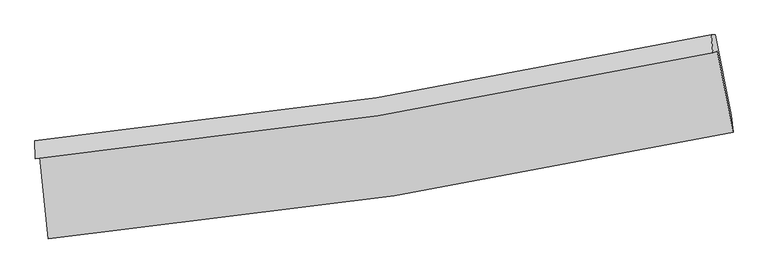
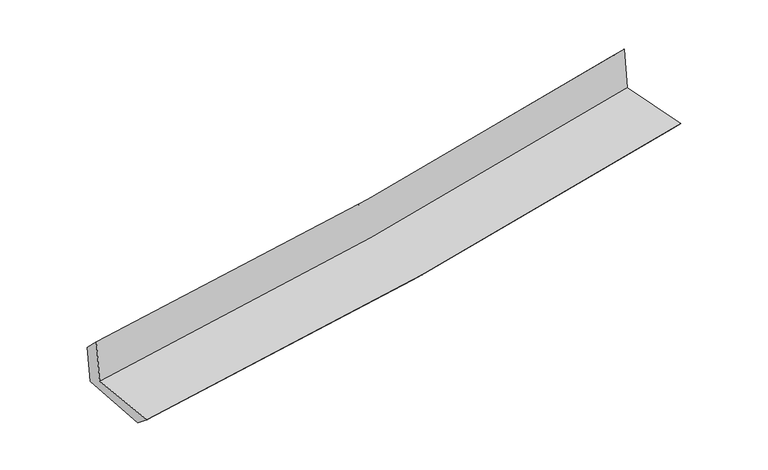
"""IFC4 building model written with IfcOpenShell, lengths in millimetres: proxy geometry."""

from ifc_helpers import new_model, si_unit, frame, origin, place, context, project, spatial, source, transform, mapped, element, save
from ifc_brep_helpers import plane_surface, spline_curve, spline_surface, advanced_brep


def generic_models_df9e47b6(model_context):
    return source(origin(), model_context, "Body", "AdvancedBrep", [
        advanced_brep(
        [(-2781.8665897, -1900.9282966, 1642.504513), (-2712.6722476, -2560.7251571, 1628.3993592), (2843.3871359, -1698.003217, 2131.3662872), (2715.2293573, -1041.3511721, 2140.2206747), (-2817.8362417, -1913.4964649, 2053.9528129), (2679.9057045, -1053.6936215, 2544.2795436), (-2820.4121696, -1763.6108301, 1912.0379703), (2664.7626505, -907.136962, 2402.0578629), (-2788.4399444, -1763.720716, 1559.1374187), (2699.1448255, -907.1039918, 2033.6559391), (-2717.1549356, -2417.1343199, 1514.6928063), (2829.5975648, -1560.7450471, 1993.9609771)],
        [
            (0, 1),
            (1, 2, spline_curve(3, [(-2712.6722476, -2560.7251571, 1628.3993592), (-1772.554148229, -2473.937580772, 1718.2306397), (-836.702916236, -2358.037701807, 1805.298149875), (1015.214432838, -2069.764749989, 1972.887435973), (1931.38299542, -1898.090648888, 2053.475568401), (2843.3871359, -1698.003217, 2131.3662872)], [4, 2, 4], [0.0, 9.273028802062678, 18.434060912186972])),
            (2, 3),
            (3, 0, spline_curve(3, [(2715.2293573, -1041.3511721, 2140.2206747), (1812.786088589, -1238.981515627, 2063.240841599), (906.28110105, -1409.160715317, 1983.543181999), (-925.984296021, -1696.361725264, 1817.70465363), (-1851.844623769, -1812.708233601, 1731.49692595), (-2781.8665897, -1900.9282966, 1642.504513)], [4, 2, 4], [0.0, 9.161032110124294, 18.434060912186972])),
            (4, 0),
            (3, 5),
            (5, 4, spline_curve(3, [(2679.9057045, -1053.6936215, 2544.2795436), (1777.606322827, -1251.273689343, 2465.653821349), (871.120534543, -1421.446180615, 2385.736543604), (-961.357127939, -1708.721358374, 2222.32607256), (-1887.451988676, -1825.149815204, 2138.801106636), (-2817.8362417, -1913.4964649, 2053.9528129)], [4, 2, 4], [0.0, 9.112794679385958, 18.336996331931307])),
            (6, 4),
            (5, 7),
            (7, 6, spline_curve(3, [(2664.7626505, -907.136962, 2402.0578629), (1764.712665611, -1103.857264562, 2320.934585992), (860.392982781, -1273.323207262, 2239.78620402), (-967.89358908, -1559.484957464, 2076.446857665), (-1891.965512849, -1675.510303922, 1994.255275186), (-2820.4121696, -1763.6108301, 1912.0379703)], [4, 2, 4], [0.0, 9.10228331643422, 18.315845101088186])),
            (8, 6),
            (7, 9),
            (9, 8, spline_curve(3, [(2699.1448255, -907.1039918, 2033.6559391), (1798.553075187, -1103.855983982, 1956.584968943), (893.762467947, -1273.349628279, 1878.751182681), (-935.329163208, -1559.559095554, 1720.597107877), (-1859.733478853, -1675.604359005, 1640.258054056), (-2788.4399444, -1763.720716, 1559.1374187)], [4, 2, 4], [0.0, 9.09258809835127, 18.296336137627563])),
            (10, 8),
            (9, 11),
            (11, 10, spline_curve(3, [(2829.5975648, -1560.7450471, 1993.9609771), (1919.655913221, -1761.263648217, 1915.867679349), (1005.291038527, -1932.633314524, 1837.128614459), (-843.517649561, -2218.813473043, 1677.388443525), (-1778.070275001, -2332.906897885, 1596.371451489), (-2717.1549356, -2417.1343199, 1514.6928063)], [4, 2, 4], [0.0, 9.14151526872238, 18.39478862944726])),
            (1, 10),
            (11, 2),
        ],
        [
            spline_surface(3, 3, [[(-2781.8665897, -1900.9282966, 1642.504513), (-1851.844623918, -1812.708233708, 1731.496925857), (-925.984295914, -1696.361725235, 1817.704653638), (906.281100944, -1409.160715345, 1983.543181991), (1812.786088594, -1238.98151568, 2063.240841447), (2715.2293573, -1041.3511721, 2140.2206747)], [(-2758.801808998, -2120.860583427, 1637.802795063), (-1825.414465336, -2033.118016012, 1727.074830481), (-896.223836029, -1916.92038408, 1813.569152406), (942.592211602, -1629.362060273, 1979.991266619), (1852.318390894, -1458.684560123, 2059.985750406), (2757.948616834, -1260.235187098, 2137.269212189)], [(-2735.737028302, -2340.792870273, 1633.101077137), (-1798.984306759, -2253.527798336, 1722.652735117), (-866.463376173, -2137.479042873, 1809.43365119), (978.903322232, -1849.563405149, 1976.439351262), (1891.850693192, -1678.387604474, 2056.730659398), (2800.667876366, -1479.119202002, 2134.317749711)], [(-2712.6722476, -2560.7251571, 1628.3993592), (-1772.554148176, -2473.93758064, 1718.230639741), (-836.702916288, -2358.037701718, 1805.298149959), (1015.21443289, -2069.764750077, 1972.88743589), (1931.382995491, -1898.090648917, 2053.475568358), (2843.3871359, -1698.003217, 2131.3662872)]], [4, 4], [4, 2, 4], [0.0, 2.193619708281384], [0.0, 9.273028802062678, 18.434060912186972]),
            spline_surface(3, 3, [[(-2817.8362417, -1913.4964649, 2053.9528129), (-1887.451988542, -1825.149815054, 2138.801106558), (-961.357127991, -1708.72135836, 2222.326072513), (871.120534595, -1421.44618063, 2385.736543651), (1777.606322785, -1251.273689478, 2465.653821262), (2679.9057045, -1053.6936215, 2544.2795436)], [(-2805.846357717, -1909.307075481, 1916.803379607), (-1875.582867018, -1821.002621286, 2003.033046331), (-949.566183976, -1704.601480622, 2087.452266231), (882.840723367, -1417.351025505, 2251.672089775), (1789.33291138, -1247.176298189, 2331.516161328), (2691.680255426, -1049.579471677, 2409.593253971)], [(-2793.856473683, -1905.117686019, 1779.653946293), (-1863.713745442, -1816.855427476, 1867.264986083), (-937.775239929, -1700.481602973, 1952.57845992), (894.560912172, -1413.255870469, 2117.607635868), (1801.059499999, -1243.078906968, 2197.378501381), (2703.454806374, -1045.465321923, 2274.906964329)], [(-2781.8665897, -1900.9282966, 1642.504513), (-1851.844623918, -1812.708233708, 1731.496925857), (-925.984295914, -1696.361725235, 1817.704653638), (906.281100944, -1409.160715345, 1983.543181991), (1812.786088594, -1238.98151568, 2063.240841447), (2715.2293573, -1041.3511721, 2140.2206747)]], [4, 4], [4, 2, 4], [0.0, 1.3292270992003723], [0.0, 9.224201652545348, 18.336996331931307]),
            spline_surface(3, 3, [[(-2820.4121696, -1763.6108301, 1912.0379703), (-1891.965512792, -1675.510304075, 1994.255275166), (-967.89358893, -1559.48495744, 2076.446857539), (860.392982632, -1273.323207286, 2239.786204144), (1764.712665501, -1103.857264539, 2320.934585992), (2664.7626505, -907.136962, 2402.0578629)], [(-2819.553526968, -1813.572708352, 1959.342917821), (-1890.46100471, -1725.390141053, 2042.437218951), (-965.714768612, -1609.230424428, 2125.07326251), (863.968833291, -1322.697531749, 2288.436317293), (1769.010551272, -1152.996072853, 2369.17433108), (2669.810335177, -955.989181834, 2449.465089798)], [(-2818.694884332, -1863.534586648, 2006.647865379), (-1888.956496624, -1775.269978075, 2090.619162773), (-963.535948309, -1658.975891372, 2173.699667541), (867.544683936, -1372.071856167, 2337.086430502), (1773.308437013, -1202.134881164, 2417.414076174), (2674.858019823, -1004.841401666, 2496.872316702)], [(-2817.8362417, -1913.4964649, 2053.9528129), (-1887.451988542, -1825.149815054, 2138.801106558), (-961.357127991, -1708.72135836, 2222.326072513), (871.120534595, -1421.44618063, 2385.736543651), (1777.606322785, -1251.273689478, 2465.653821262), (2679.9057045, -1053.6936215, 2544.2795436)]], [4, 4], [4, 2, 4], [0.0, 0.6840585269397863], [0.0, 9.213561784653967, 18.315845101088186]),
            spline_surface(3, 3, [[(-2788.4399444, -1763.720716, 1559.1374187), (-1859.733478846, -1675.604359111, 1640.258054097), (-935.329163064, -1559.559095408, 1720.5971079), (893.762467804, -1273.349628423, 1878.751182658), (1798.553075315, -1103.855984088, 1956.584968986), (2699.1448255, -907.1039918, 2033.6559391)], [(-2799.097352799, -1763.684087355, 1676.770935907), (-1870.47749016, -1675.573007421, 1758.257127794), (-946.183971708, -1559.534382757, 1839.213691102), (882.639306058, -1273.340821382, 1999.096189809), (1787.272938692, -1103.856410915, 2078.034841317), (2687.684100482, -907.114981877, 2156.456580362)], [(-2809.754761201, -1763.647458745, 1794.404453093), (-1881.221501477, -1675.541655765, 1876.256201469), (-957.038780285, -1559.509670092, 1957.830274337), (871.516144379, -1273.332014328, 2119.441196993), (1775.992802124, -1103.856837712, 2199.484713661), (2676.223375518, -907.125971923, 2279.257221638)], [(-2820.4121696, -1763.6108301, 1912.0379703), (-1891.965512792, -1675.510304075, 1994.255275166), (-967.89358893, -1559.48495744, 2076.446857539), (860.392982632, -1273.323207286, 2239.786204144), (1764.712665501, -1103.857264539, 2320.934585992), (2664.7626505, -907.136962, 2402.0578629)]], [4, 4], [4, 2, 4], [0.0, 1.1808513538584817], [0.0, 9.203748039276293, 18.296336137627563]),
            spline_surface(3, 3, [[(-2717.1549356, -2417.1343199, 1514.6928063), (-1778.070275149, -2332.906897769, 1596.37145154), (-843.517649649, -2218.813473041, 1677.388443494), (1005.291038614, -1932.633314526, 1837.128614488), (1919.655913263, -1761.263648302, 1915.867679424), (2829.5975648, -1560.7450471, 1993.9609771)], [(-2740.916605187, -2199.32978528, 1529.507677107), (-1805.291343035, -2113.806051564, 1611.000319066), (-874.121487432, -1999.062013831, 1691.791331662), (968.114848365, -1712.872085826, 1851.002803911), (1879.288300637, -1542.12776022, 1929.440109264), (2786.113318391, -1342.864695323, 2007.192631086)], [(-2764.678274813, -1981.52525062, 1544.322547893), (-1832.512410959, -1894.705205317, 1625.629186571), (-904.72532528, -1779.310554618, 1706.194219733), (930.938658053, -1493.110857124, 1864.876993236), (1838.92068794, -1322.99187217, 1943.012539146), (2742.629071909, -1124.984343577, 2020.424285114)], [(-2788.4399444, -1763.720716, 1559.1374187), (-1859.733478846, -1675.604359111, 1640.258054097), (-935.329163064, -1559.559095408, 1720.5971079), (893.762467804, -1273.349628423, 1878.751182658), (1798.553075315, -1103.855984088, 1956.584968986), (2699.1448255, -907.1039918, 2033.6559391)]], [4, 4], [4, 2, 4], [0.0, 2.1928862205213115], [0.0, 9.25327336072488, 18.39478862944726]),
            spline_surface(3, 3, [[(-2712.6722476, -2560.7251571, 1628.3993592), (-1772.554148176, -2473.93758064, 1718.230639741), (-836.702916288, -2358.037701718, 1805.298149959), (1015.21443289, -2069.764750077, 1972.88743589), (1931.382995491, -1898.090648917, 2053.475568358), (2843.3871359, -1698.003217, 2131.3662872)], [(-2714.16647693, -2512.861544705, 1590.497174896), (-1774.392857164, -2426.927353021, 1677.610910336), (-838.974494077, -2311.629625484, 1762.661581131), (1011.906634796, -2024.054271552, 1927.634495417), (1927.473968073, -1852.481648703, 2007.606272073), (2838.790612191, -1652.250493691, 2085.564517193)], [(-2715.66070627, -2464.997932295, 1552.594990604), (-1776.231566161, -2379.917125388, 1636.991180945), (-841.246071859, -2265.221549275, 1720.025012322), (1008.598836708, -1978.343793051, 1882.381554962), (1923.564940682, -1806.872648516, 1961.736975709), (2834.194088509, -1606.497770409, 2039.762747107)], [(-2717.1549356, -2417.1343199, 1514.6928063), (-1778.070275148, -2332.906897769, 1596.37145154), (-843.517649649, -2218.813473041, 1677.388443494), (1005.291038614, -1932.633314526, 1837.128614488), (1919.655913263, -1761.263648302, 1915.867679424), (2829.5975648, -1560.7450471, 1993.9609771)]], [4, 4], [4, 2, 4], [0.0, 0.6270955966449681], [0.0, 9.311883336411457, 18.511300708179057]),
            plane_surface(frame((2738.6712064, -1194.6723353, 2207.5902141), z_axis=(0.977617372514504, 0.18956958456998496, 0.09125593440320019), x_axis=(-0.09292408049386318, -8.910804297738947e-05, 0.9956731930327977))),
            plane_surface(frame((-2773.0636881, -2053.2692974, 1718.4541467), z_axis=(-0.9907314229342512, -0.10198199013586405, -0.08972692627412748), x_axis=(-0.10427663661272445, 0.9943211448336503, 0.021256622343095947))),
        ],
        [
            (0, [[1, 2, 3, 4]]),
            (1, [[5, -4, 6, 7]]),
            (2, [[8, -7, 9, 10]]),
            (3, [[11, -10, 12, 13]]),
            (4, [[14, -13, 15, 16]]),
            (5, [[17, -16, 18, -2]]),
            (6, [[-12, -9, -6, -3, -18, -15]]),
            (7, [[-1, -5, -8, -11, -14, -17]]),
        ],
    ),
    ])


if __name__ == "__main__":
    model = new_model("IFC4")
    model_context = context("Model", 3, world=origin())
    ifc_project = project(units=[si_unit("LENGTHUNIT", "METRE", prefix="MILLI")], contexts=[model_context])
    site = spatial("IfcSite", under=ifc_project)
    building = spatial("IfcBuilding", under=site)
    placement = place(None, origin())
    generic_models_shape = generic_models_df9e47b6(model_context)
    element("IfcBuildingElementProxy", 1, Name="Generic Models", at=placement, inside=building, context=model_context, shape_type="MappedRepresentation", body=[
        mapped(generic_models_shape, transform((0.0, 0.0, 0.0), x_axis=(1.0, 0.0, 0.0), y_axis=(0.0, 1.0, 0.0), z_axis=(0.0, 0.0, 1.0))),
    ])
    save(model, "model.ifc")
